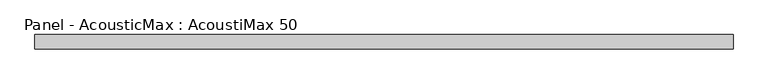
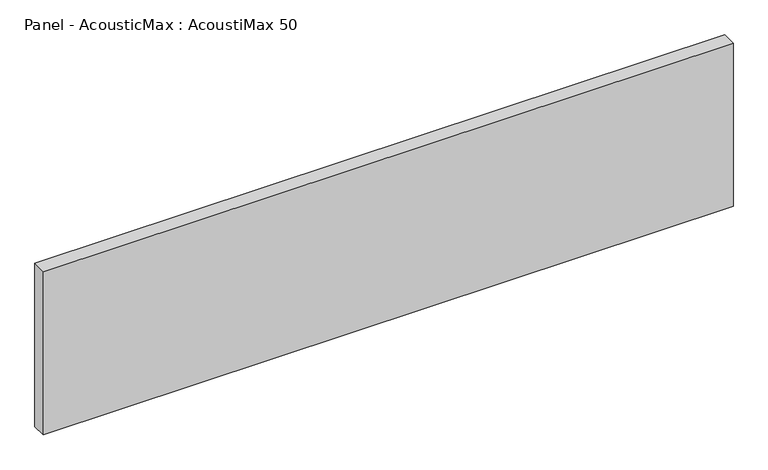
"""IFC4 building model written with IfcOpenShell, lengths in millimetres: plate geometry, Panel - AcousticMax : AcoustiMax 50."""

from ifc_helpers import new_model, si_unit, origin, origin_with_axes, place, context, project, spatial, polyline, outline, extrude, source, transform, mapped, element, save


def panel_acousticmax_acoustimax_50_f7bed38f(model_context):
    return source(origin(), model_context, "Body", "SweptSolid", [
        extrude(outline(polyline([(1200.0, -25.0), (-1199.5, -25.0), (-1199.5, 25.0), (1200.0, 25.0), (1200.0, -25.0)])), origin_with_axes(), (0.0, 0.0, 1.0), 600.45),
    ])


if __name__ == "__main__":
    model = new_model("IFC4")
    model_context = context("Model", 3, world=origin())
    ifc_project = project(units=[si_unit("LENGTHUNIT", "METRE", prefix="MILLI")], contexts=[model_context])
    site = spatial("IfcSite", under=ifc_project)
    building = spatial("IfcBuilding", under=site)
    placement = place(None, origin())
    panel_acousticmax_acoustimax_50_shape = panel_acousticmax_acoustimax_50_f7bed38f(model_context)
    element("IfcPlate", 1, ObjectType="Panel - AcousticMax : AcoustiMax 50", at=placement, inside=building, context=model_context, shape_type="MappedRepresentation", body=[
        mapped(panel_acousticmax_acoustimax_50_shape, transform((0.0, 0.0, 0.0), x_axis=(1.0, 0.0, 0.0), y_axis=(0.0, 1.0, 0.0), z_axis=(0.0, 0.0, 1.0))),
    ])
    save(model, "model.ifc")
